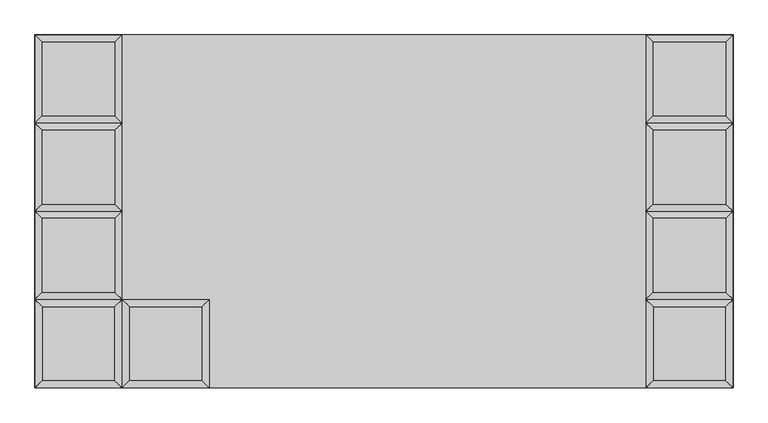
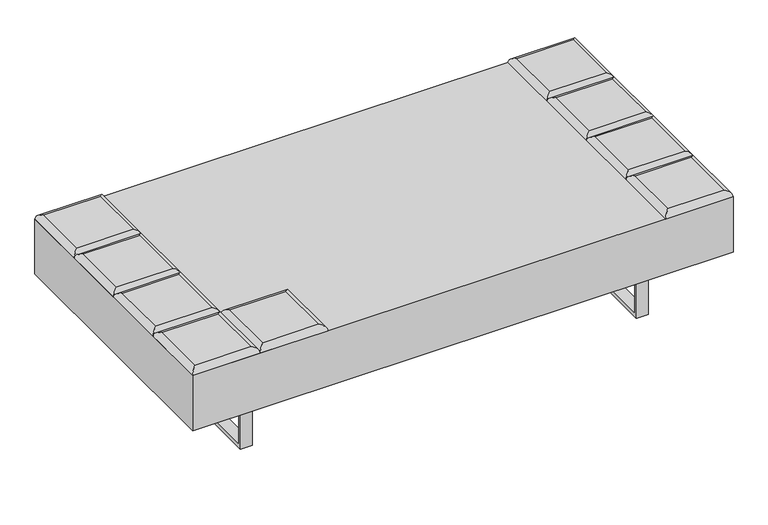
"""IFC4 building model written with IfcOpenShell, lengths in millimetres: furniture geometry."""

from ifc_helpers import new_model, si_unit, frame, origin, place, context, project, spatial, polyline, ellipse_curve, outline, extrude, source, transform, mapped, element, save
from ifc_brep_helpers import plane_surface, cylinder_surface, advanced_brep


def furniture_17740cd9(model_context):
    return source(origin(), model_context, "Body", "SolidModel", [
        advanced_brep(
        [(-439.8735714, -222.25, 393.7), (-457.8340837, -240.2105122, 411.6605122), (-457.8340837, -426.5394878, 411.6605122), (-439.8735714, -444.5, 393.7), (-641.6230592, -426.5394878, 411.6605122), (-659.5835714, -444.5, 393.7), (-641.6230592, -240.2105122, 411.6605122), (-659.5835714, -222.25, 393.7)],
        [
            (0, 1, ellipse_curve(frame((-457.8340837, -240.2105122, 393.7), z_axis=(0.7071067811865475, -0.7071067811865475, 0.0), x_axis=(0.7071067811865474, 0.7071067811865476, 0.0)), 25.4, 17.9605122)),
            (1, 2),
            (2, 3, ellipse_curve(frame((-457.8340837, -426.5394878, 393.7), z_axis=(0.7071067811865475, 0.7071067811865475, 0.0), x_axis=(-0.7071067811865474, 0.7071067811865476, 0.0)), 25.4, 17.9605122)),
            (3, 0),
            (2, 4),
            (4, 5, ellipse_curve(frame((-641.6230592, -426.5394878, 393.7), z_axis=(0.7071067811865475, -0.7071067811865475, 0.0), x_axis=(0.7071067811865476, 0.7071067811865474, 0.0)), 25.4, 17.9605122)),
            (5, 3),
            (4, 6),
            (6, 7, ellipse_curve(frame((-641.6230592, -240.2105122, 393.7), z_axis=(-0.7071067811865475, -0.7071067811865475, 0.0), x_axis=(0.7071067811865474, -0.7071067811865476, 0.0)), 25.4, 17.9605122)),
            (7, 5),
            (0, 7),
            (6, 1),
        ],
        [
            cylinder_surface(frame((-457.8340837, -222.25, 393.7), z_axis=(0.0, 1.0, 0.0), x_axis=(1.0, 0.0, 0.0)), 17.9605122),
            cylinder_surface(frame((-439.8735714, -426.5394878, 393.7), z_axis=(1.0, 0.0, 0.0), x_axis=(0.0, -1.0, 0.0)), 17.9605122),
            cylinder_surface(frame((-641.6230592, -444.5, 393.7), z_axis=(0.0, -1.0, 0.0), x_axis=(-1.0, 0.0, 0.0)), 17.9605122),
            cylinder_surface(frame((-659.5835714, -240.2105122, 393.7), z_axis=(-1.0, 0.0, 0.0), x_axis=(0.0, 1.0, 0.0)), 17.9605122),
            plane_surface(frame((-659.5835714, -222.25, 393.7), z_axis=(0.0, 0.0, -1.0), x_axis=(1.0, 0.0, 0.0))),
            plane_surface(frame((-641.6230592, -240.2105122, 411.6605122), z_axis=(0.0, 0.0, 1.0), x_axis=(-1.0, 0.0, 0.0))),
        ],
        [
            (0, [[1, 2, 3, 4]]),
            (1, [[-3, 5, 6, 7]]),
            (2, [[-6, 8, 9, 10]]),
            (3, [[-1, 11, -9, 12]]),
            (4, [[-4, -7, -10, -11]]),
            (5, [[-2, -12, -8, -5]]),
        ],
    ),
        advanced_brep(
        [(861.5144878, -204.2894878, 411.6605122), (861.5144878, -17.9605122, 411.6605122), (677.7255122, -17.9605122, 411.6605122), (677.7255122, -204.2894878, 411.6605122), (879.475, 0.0, 393.7), (879.475, -222.25, 393.7), (659.765, -222.25, 393.7), (659.765, 0.0, 393.7)],
        [
            (0, 1),
            (1, 2),
            (2, 3),
            (3, 0),
            (4, 5),
            (5, 6),
            (6, 7),
            (7, 4),
            (4, 1, ellipse_curve(frame((861.5144878, -17.9605122, 393.7), z_axis=(0.7071067811865475, -0.7071067811865475, 0.0), x_axis=(0.7071067811865474, 0.7071067811865476, 0.0)), 25.4, 17.9605122)),
            (0, 5, ellipse_curve(frame((861.5144878, -204.2894878, 393.7), z_axis=(0.7071067811865475, 0.7071067811865475, 0.0), x_axis=(-0.7071067811865474, 0.7071067811865476, 0.0)), 25.4, 17.9605122)),
            (3, 6, ellipse_curve(frame((677.7255122, -204.2894878, 393.7), z_axis=(0.7071067811865475, -0.7071067811865475, 0.0), x_axis=(0.7071067811865476, 0.7071067811865474, 0.0)), 25.4, 17.9605122)),
            (2, 7, ellipse_curve(frame((677.7255122, -17.9605122, 393.7), z_axis=(-0.7071067811865475, -0.7071067811865475, 0.0), x_axis=(0.7071067811865474, -0.7071067811865476, 0.0)), 25.4, 17.9605122)),
        ],
        [
            plane_surface(frame((677.7255122, -17.9605122, 411.6605122), z_axis=(0.0, 0.0, 1.0), x_axis=(-1.0, 0.0, 0.0))),
            plane_surface(frame((677.7255122, -17.9605122, 393.7), z_axis=(0.0, 0.0, -1.0), x_axis=(1.0, 0.0, 0.0))),
            cylinder_surface(frame((861.5144878, 0.0, 393.7), z_axis=(0.0, 1.0, 0.0), x_axis=(1.0, 0.0, 0.0)), 17.9605122),
            cylinder_surface(frame((879.475, -204.2894878, 393.7), z_axis=(1.0, 0.0, 0.0), x_axis=(0.0, -1.0, 0.0)), 17.9605122),
            cylinder_surface(frame((677.7255122, -222.25, 393.7), z_axis=(0.0, -1.0, 0.0), x_axis=(-1.0, 0.0, 0.0)), 17.9605122),
            cylinder_surface(frame((659.765, -17.9605122, 393.7), z_axis=(-1.0, 0.0, 0.0), x_axis=(0.0, 1.0, 0.0)), 17.9605122),
        ],
        [
            (0, [[1, 2, 3, 4]]),
            (1, [[5, 6, 7, 8]]),
            (2, [[9, -1, 10, -5]]),
            (3, [[-10, -4, 11, -6]]),
            (4, [[-11, -3, 12, -7]]),
            (5, [[-9, -8, -12, -2]]),
        ],
    ),
        advanced_brep(
        [(861.5144878, 17.9605122, 411.6605122), (861.5144878, 204.2894878, 411.6605122), (677.7255122, 204.2894878, 411.6605122), (677.7255122, 17.9605122, 411.6605122), (879.475, 222.25, 393.7), (879.475, 0.0, 393.7), (659.765, 0.0, 393.7), (659.765, 222.25, 393.7)],
        [
            (0, 1),
            (1, 2),
            (2, 3),
            (3, 0),
            (4, 5),
            (5, 6),
            (6, 7),
            (7, 4),
            (4, 1, ellipse_curve(frame((861.5144878, 204.2894878, 393.7), z_axis=(0.7071067811865475, -0.7071067811865475, 0.0), x_axis=(0.7071067811865474, 0.7071067811865476, 0.0)), 25.4, 17.9605122)),
            (0, 5, ellipse_curve(frame((861.5144878, 17.9605122, 393.7), z_axis=(0.7071067811865475, 0.7071067811865475, 0.0), x_axis=(-0.7071067811865474, 0.7071067811865476, 0.0)), 25.4, 17.9605122)),
            (3, 6, ellipse_curve(frame((677.7255122, 17.9605122, 393.7), z_axis=(0.7071067811865475, -0.7071067811865475, 0.0), x_axis=(0.7071067811865476, 0.7071067811865474, 0.0)), 25.4, 17.9605122)),
            (2, 7, ellipse_curve(frame((677.7255122, 204.2894878, 393.7), z_axis=(-0.7071067811865475, -0.7071067811865475, 0.0), x_axis=(0.7071067811865474, -0.7071067811865476, 0.0)), 25.4, 17.9605122)),
        ],
        [
            plane_surface(frame((677.7255122, 204.2894878, 411.6605122), z_axis=(0.0, 0.0, 1.0), x_axis=(-1.0, 0.0, 0.0))),
            plane_surface(frame((677.7255122, 204.2894878, 393.7), z_axis=(0.0, 0.0, -1.0), x_axis=(1.0, 0.0, 0.0))),
            cylinder_surface(frame((861.5144878, 222.25, 393.7), z_axis=(0.0, 1.0, 0.0), x_axis=(1.0, 0.0, 0.0)), 17.9605122),
            cylinder_surface(frame((879.475, 17.9605122, 393.7), z_axis=(1.0, 0.0, 0.0), x_axis=(0.0, -1.0, 0.0)), 17.9605122),
            cylinder_surface(frame((677.7255122, 0.0, 393.7), z_axis=(0.0, -1.0, 0.0), x_axis=(-1.0, 0.0, 0.0)), 17.9605122),
            cylinder_surface(frame((659.765, 204.2894878, 393.7), z_axis=(-1.0, 0.0, 0.0), x_axis=(0.0, 1.0, 0.0)), 17.9605122),
        ],
        [
            (0, [[1, 2, 3, 4]]),
            (1, [[5, 6, 7, 8]]),
            (2, [[9, -1, 10, -5]]),
            (3, [[-10, -4, 11, -6]]),
            (4, [[-11, -3, 12, -7]]),
            (5, [[-9, -8, -12, -2]]),
        ],
    ),
        advanced_brep(
        [(861.5144878, 240.2105122, 411.6605122), (861.5144878, 426.5394878, 411.6605122), (677.7255122, 426.5394878, 411.6605122), (677.7255122, 240.2105122, 411.6605122), (879.475, 444.5, 393.7), (879.475, 222.25, 393.7), (659.765, 222.25, 393.7), (659.765, 444.5, 393.7)],
        [
            (0, 1),
            (1, 2),
            (2, 3),
            (3, 0),
            (4, 5),
            (5, 6),
            (6, 7),
            (7, 4),
            (4, 1, ellipse_curve(frame((861.5144878, 426.5394878, 393.7), z_axis=(0.7071067811865475, -0.7071067811865475, 0.0), x_axis=(0.7071067811865474, 0.7071067811865476, 0.0)), 25.4, 17.9605122)),
            (0, 5, ellipse_curve(frame((861.5144878, 240.2105122, 393.7), z_axis=(0.7071067811865475, 0.7071067811865475, 0.0), x_axis=(-0.7071067811865474, 0.7071067811865476, 0.0)), 25.4, 17.9605122)),
            (3, 6, ellipse_curve(frame((677.7255122, 240.2105122, 393.7), z_axis=(0.7071067811865475, -0.7071067811865475, 0.0), x_axis=(0.7071067811865476, 0.7071067811865474, 0.0)), 25.4, 17.9605122)),
            (2, 7, ellipse_curve(frame((677.7255122, 426.5394878, 393.7), z_axis=(-0.7071067811865475, -0.7071067811865475, 0.0), x_axis=(0.7071067811865474, -0.7071067811865476, 0.0)), 25.4, 17.9605122)),
        ],
        [
            plane_surface(frame((677.7255122, 426.5394878, 411.6605122), z_axis=(0.0, 0.0, 1.0), x_axis=(-1.0, 0.0, 0.0))),
            plane_surface(frame((677.7255122, 426.5394878, 393.7), z_axis=(0.0, 0.0, -1.0), x_axis=(1.0, 0.0, 0.0))),
            cylinder_surface(frame((861.5144878, 444.5, 393.7), z_axis=(0.0, 1.0, 0.0), x_axis=(1.0, 0.0, 0.0)), 17.9605122),
            cylinder_surface(frame((879.475, 240.2105122, 393.7), z_axis=(1.0, 0.0, 0.0), x_axis=(0.0, -1.0, 0.0)), 17.9605122),
            cylinder_surface(frame((677.7255122, 222.25, 393.7), z_axis=(0.0, -1.0, 0.0), x_axis=(-1.0, 0.0, 0.0)), 17.9605122),
            cylinder_surface(frame((659.765, 426.5394878, 393.7), z_axis=(-1.0, 0.0, 0.0), x_axis=(0.0, 1.0, 0.0)), 17.9605122),
        ],
        [
            (0, [[1, 2, 3, 4]]),
            (1, [[5, 6, 7, 8]]),
            (2, [[9, -1, 10, -5]]),
            (3, [[-10, -4, 11, -6]]),
            (4, [[-11, -3, 12, -7]]),
            (5, [[-9, -8, -12, -2]]),
        ],
    ),
        advanced_brep(
        [(879.475, -222.25, 393.7), (861.5144878, -240.2105122, 411.6605122), (861.5144878, -426.5394878, 411.6605122), (879.475, -444.5, 393.7), (677.7255122, -426.5394878, 411.6605122), (659.765, -444.5, 393.7), (677.7255122, -240.2105122, 411.6605122), (659.765, -222.25, 393.7)],
        [
            (0, 1, ellipse_curve(frame((861.5144878, -240.2105122, 393.7), z_axis=(0.7071067811865475, -0.7071067811865475, 0.0), x_axis=(0.7071067811865474, 0.7071067811865476, 0.0)), 25.4, 17.9605122)),
            (1, 2),
            (2, 3, ellipse_curve(frame((861.5144878, -426.5394878, 393.7), z_axis=(0.7071067811865475, 0.7071067811865475, 0.0), x_axis=(-0.7071067811865474, 0.7071067811865476, 0.0)), 25.4, 17.9605122)),
            (3, 0),
            (2, 4),
            (4, 5, ellipse_curve(frame((677.7255122, -426.5394878, 393.7), z_axis=(0.7071067811865475, -0.7071067811865475, 0.0), x_axis=(0.7071067811865476, 0.7071067811865474, 0.0)), 25.4, 17.9605122)),
            (5, 3),
            (4, 6),
            (6, 7, ellipse_curve(frame((677.7255122, -240.2105122, 393.7), z_axis=(-0.7071067811865475, -0.7071067811865475, 0.0), x_axis=(0.7071067811865474, -0.7071067811865476, 0.0)), 25.4, 17.9605122)),
            (7, 5),
            (0, 7),
            (6, 1),
        ],
        [
            cylinder_surface(frame((861.5144878, -222.25, 393.7), z_axis=(0.0, 1.0, 0.0), x_axis=(1.0, 0.0, 0.0)), 17.9605122),
            cylinder_surface(frame((879.475, -426.5394878, 393.7), z_axis=(1.0, 0.0, 0.0), x_axis=(0.0, -1.0, 0.0)), 17.9605122),
            cylinder_surface(frame((677.7255122, -444.5, 393.7), z_axis=(0.0, -1.0, 0.0), x_axis=(-1.0, 0.0, 0.0)), 17.9605122),
            cylinder_surface(frame((659.765, -240.2105122, 393.7), z_axis=(-1.0, 0.0, 0.0), x_axis=(0.0, 1.0, 0.0)), 17.9605122),
            plane_surface(frame((659.765, -222.25, 393.7), z_axis=(0.0, 0.0, -1.0), x_axis=(1.0, 0.0, 0.0))),
            plane_surface(frame((677.7255122, -240.2105122, 411.6605122), z_axis=(0.0, 0.0, 1.0), x_axis=(-1.0, 0.0, 0.0))),
        ],
        [
            (0, [[1, 2, 3, 4]]),
            (1, [[-3, 5, 6, 7]]),
            (2, [[-6, 8, 9, 10]]),
            (3, [[-1, 11, -9, 12]]),
            (4, [[-4, -7, -10, -11]]),
            (5, [[-2, -12, -8, -5]]),
        ],
    ),
        advanced_brep(
        [(-677.7255122, -204.2894878, 411.6605122), (-677.7255122, -17.9605122, 411.6605122), (-861.5144878, -17.9605122, 411.6605122), (-861.5144878, -204.2894878, 411.6605122), (-659.765, 0.0, 393.7), (-659.765, -222.25, 393.7), (-879.475, -222.25, 393.7), (-879.475, 0.0, 393.7)],
        [
            (0, 1),
            (1, 2),
            (2, 3),
            (3, 0),
            (4, 5),
            (5, 6),
            (6, 7),
            (7, 4),
            (4, 1, ellipse_curve(frame((-677.7255122, -17.9605122, 393.7), z_axis=(0.7071067811865475, -0.7071067811865475, 0.0), x_axis=(0.7071067811865474, 0.7071067811865476, 0.0)), 25.4, 17.9605122)),
            (0, 5, ellipse_curve(frame((-677.7255122, -204.2894878, 393.7), z_axis=(0.7071067811865475, 0.7071067811865475, 0.0), x_axis=(-0.7071067811865474, 0.7071067811865476, 0.0)), 25.4, 17.9605122)),
            (3, 6, ellipse_curve(frame((-861.5144878, -204.2894878, 393.7), z_axis=(0.7071067811865475, -0.7071067811865475, 0.0), x_axis=(0.7071067811865476, 0.7071067811865474, 0.0)), 25.4, 17.9605122)),
            (2, 7, ellipse_curve(frame((-861.5144878, -17.9605122, 393.7), z_axis=(-0.7071067811865475, -0.7071067811865475, 0.0), x_axis=(0.7071067811865474, -0.7071067811865476, 0.0)), 25.4, 17.9605122)),
        ],
        [
            plane_surface(frame((-861.5144878, -17.9605122, 411.6605122), z_axis=(0.0, 0.0, 1.0), x_axis=(-1.0, 0.0, 0.0))),
            plane_surface(frame((-861.5144878, -17.9605122, 393.7), z_axis=(0.0, 0.0, -1.0), x_axis=(1.0, 0.0, 0.0))),
            cylinder_surface(frame((-677.7255122, 0.0, 393.7), z_axis=(0.0, 1.0, 0.0), x_axis=(1.0, 0.0, 0.0)), 17.9605122),
            cylinder_surface(frame((-659.765, -204.2894878, 393.7), z_axis=(1.0, 0.0, 0.0), x_axis=(0.0, -1.0, 0.0)), 17.9605122),
            cylinder_surface(frame((-861.5144878, -222.25, 393.7), z_axis=(0.0, -1.0, 0.0), x_axis=(-1.0, 0.0, 0.0)), 17.9605122),
            cylinder_surface(frame((-879.475, -17.9605122, 393.7), z_axis=(-1.0, 0.0, 0.0), x_axis=(0.0, 1.0, 0.0)), 17.9605122),
        ],
        [
            (0, [[1, 2, 3, 4]]),
            (1, [[5, 6, 7, 8]]),
            (2, [[9, -1, 10, -5]]),
            (3, [[-10, -4, 11, -6]]),
            (4, [[-11, -3, 12, -7]]),
            (5, [[-9, -8, -12, -2]]),
        ],
    ),
        advanced_brep(
        [(-677.7255122, 17.9605122, 411.6605122), (-677.7255122, 204.2894878, 411.6605122), (-861.5144878, 204.2894878, 411.6605122), (-861.5144878, 17.9605122, 411.6605122), (-659.765, 222.25, 393.7), (-659.765, 0.0, 393.7), (-879.475, 0.0, 393.7), (-879.475, 222.25, 393.7)],
        [
            (0, 1),
            (1, 2),
            (2, 3),
            (3, 0),
            (4, 5),
            (5, 6),
            (6, 7),
            (7, 4),
            (4, 1, ellipse_curve(frame((-677.7255122, 204.2894878, 393.7), z_axis=(0.7071067811865475, -0.7071067811865475, 0.0), x_axis=(0.7071067811865474, 0.7071067811865476, 0.0)), 25.4, 17.9605122)),
            (0, 5, ellipse_curve(frame((-677.7255122, 17.9605122, 393.7), z_axis=(0.7071067811865475, 0.7071067811865475, 0.0), x_axis=(-0.7071067811865474, 0.7071067811865476, 0.0)), 25.4, 17.9605122)),
            (3, 6, ellipse_curve(frame((-861.5144878, 17.9605122, 393.7), z_axis=(0.7071067811865475, -0.7071067811865475, 0.0), x_axis=(0.7071067811865476, 0.7071067811865474, 0.0)), 25.4, 17.9605122)),
            (2, 7, ellipse_curve(frame((-861.5144878, 204.2894878, 393.7), z_axis=(-0.7071067811865475, -0.7071067811865475, 0.0), x_axis=(0.7071067811865474, -0.7071067811865476, 0.0)), 25.4, 17.9605122)),
        ],
        [
            plane_surface(frame((-861.5144878, 204.2894878, 411.6605122), z_axis=(0.0, 0.0, 1.0), x_axis=(-1.0, 0.0, 0.0))),
            plane_surface(frame((-861.5144878, 204.2894878, 393.7), z_axis=(0.0, 0.0, -1.0), x_axis=(1.0, 0.0, 0.0))),
            cylinder_surface(frame((-677.7255122, 222.25, 393.7), z_axis=(0.0, 1.0, 0.0), x_axis=(1.0, 0.0, 0.0)), 17.9605122),
            cylinder_surface(frame((-659.765, 17.9605122, 393.7), z_axis=(1.0, 0.0, 0.0), x_axis=(0.0, -1.0, 0.0)), 17.9605122),
            cylinder_surface(frame((-861.5144878, 0.0, 393.7), z_axis=(0.0, -1.0, 0.0), x_axis=(-1.0, 0.0, 0.0)), 17.9605122),
            cylinder_surface(frame((-879.475, 204.2894878, 393.7), z_axis=(-1.0, 0.0, 0.0), x_axis=(0.0, 1.0, 0.0)), 17.9605122),
        ],
        [
            (0, [[1, 2, 3, 4]]),
            (1, [[5, 6, 7, 8]]),
            (2, [[9, -1, 10, -5]]),
            (3, [[-10, -4, 11, -6]]),
            (4, [[-11, -3, 12, -7]]),
            (5, [[-9, -8, -12, -2]]),
        ],
    ),
        advanced_brep(
        [(-677.7255122, 240.2105122, 411.6605122), (-677.7255122, 426.5394878, 411.6605122), (-861.5144878, 426.5394878, 411.6605122), (-861.5144878, 240.2105122, 411.6605122), (-659.765, 444.5, 393.7), (-659.765, 222.25, 393.7), (-879.475, 222.25, 393.7), (-879.475, 444.5, 393.7)],
        [
            (0, 1),
            (1, 2),
            (2, 3),
            (3, 0),
            (4, 5),
            (5, 6),
            (6, 7),
            (7, 4),
            (4, 1, ellipse_curve(frame((-677.7255122, 426.5394878, 393.7), z_axis=(0.7071067811865475, -0.7071067811865475, 0.0), x_axis=(0.7071067811865474, 0.7071067811865476, 0.0)), 25.4, 17.9605122)),
            (0, 5, ellipse_curve(frame((-677.7255122, 240.2105122, 393.7), z_axis=(0.7071067811865475, 0.7071067811865475, 0.0), x_axis=(-0.7071067811865474, 0.7071067811865476, 0.0)), 25.4, 17.9605122)),
            (3, 6, ellipse_curve(frame((-861.5144878, 240.2105122, 393.7), z_axis=(0.7071067811865475, -0.7071067811865475, 0.0), x_axis=(0.7071067811865476, 0.7071067811865474, 0.0)), 25.4, 17.9605122)),
            (2, 7, ellipse_curve(frame((-861.5144878, 426.5394878, 393.7), z_axis=(-0.7071067811865475, -0.7071067811865475, 0.0), x_axis=(0.7071067811865474, -0.7071067811865476, 0.0)), 25.4, 17.9605122)),
        ],
        [
            plane_surface(frame((-861.5144878, 426.5394878, 411.6605122), z_axis=(0.0, 0.0, 1.0), x_axis=(-1.0, 0.0, 0.0))),
            plane_surface(frame((-861.5144878, 426.5394878, 393.7), z_axis=(0.0, 0.0, -1.0), x_axis=(1.0, 0.0, 0.0))),
            cylinder_surface(frame((-677.7255122, 444.5, 393.7), z_axis=(0.0, 1.0, 0.0), x_axis=(1.0, 0.0, 0.0)), 17.9605122),
            cylinder_surface(frame((-659.765, 240.2105122, 393.7), z_axis=(1.0, 0.0, 0.0), x_axis=(0.0, -1.0, 0.0)), 17.9605122),
            cylinder_surface(frame((-861.5144878, 222.25, 393.7), z_axis=(0.0, -1.0, 0.0), x_axis=(-1.0, 0.0, 0.0)), 17.9605122),
            cylinder_surface(frame((-879.475, 426.5394878, 393.7), z_axis=(-1.0, 0.0, 0.0), x_axis=(0.0, 1.0, 0.0)), 17.9605122),
        ],
        [
            (0, [[1, 2, 3, 4]]),
            (1, [[5, 6, 7, 8]]),
            (2, [[9, -1, 10, -5]]),
            (3, [[-10, -4, 11, -6]]),
            (4, [[-11, -3, 12, -7]]),
            (5, [[-9, -8, -12, -2]]),
        ],
    ),
        advanced_brep(
        [(-659.765, -222.25, 393.7), (-677.7255122, -240.2105122, 411.6605122), (-677.7255122, -426.5394878, 411.6605122), (-659.765, -444.5, 393.7), (-861.5144878, -426.5394878, 411.6605122), (-879.475, -444.5, 393.7), (-861.5144878, -240.2105122, 411.6605122), (-879.475, -222.25, 393.7)],
        [
            (0, 1, ellipse_curve(frame((-677.7255122, -240.2105122, 393.7), z_axis=(0.7071067811865475, -0.7071067811865475, 0.0), x_axis=(0.7071067811865474, 0.7071067811865476, 0.0)), 25.4, 17.9605122)),
            (1, 2),
            (2, 3, ellipse_curve(frame((-677.7255122, -426.5394878, 393.7), z_axis=(0.7071067811865475, 0.7071067811865475, 0.0), x_axis=(-0.7071067811865474, 0.7071067811865476, 0.0)), 25.4, 17.9605122)),
            (3, 0),
            (2, 4),
            (4, 5, ellipse_curve(frame((-861.5144878, -426.5394878, 393.7), z_axis=(0.7071067811865475, -0.7071067811865475, 0.0), x_axis=(0.7071067811865476, 0.7071067811865474, 0.0)), 25.4, 17.9605122)),
            (5, 3),
            (4, 6),
            (6, 7, ellipse_curve(frame((-861.5144878, -240.2105122, 393.7), z_axis=(-0.7071067811865475, -0.7071067811865475, 0.0), x_axis=(0.7071067811865474, -0.7071067811865476, 0.0)), 25.4, 17.9605122)),
            (7, 5),
            (0, 7),
            (6, 1),
        ],
        [
            cylinder_surface(frame((-677.7255122, -222.25, 393.7), z_axis=(0.0, 1.0, 0.0), x_axis=(1.0, 0.0, 0.0)), 17.9605122),
            cylinder_surface(frame((-659.765, -426.5394878, 393.7), z_axis=(1.0, 0.0, 0.0), x_axis=(0.0, -1.0, 0.0)), 17.9605122),
            cylinder_surface(frame((-861.5144878, -444.5, 393.7), z_axis=(0.0, -1.0, 0.0), x_axis=(-1.0, 0.0, 0.0)), 17.9605122),
            cylinder_surface(frame((-879.475, -240.2105122, 393.7), z_axis=(-1.0, 0.0, 0.0), x_axis=(0.0, 1.0, 0.0)), 17.9605122),
            plane_surface(frame((-879.475, -222.25, 393.7), z_axis=(0.0, 0.0, -1.0), x_axis=(1.0, 0.0, 0.0))),
            plane_surface(frame((-861.5144878, -240.2105122, 411.6605122), z_axis=(0.0, 0.0, 1.0), x_axis=(-1.0, 0.0, 0.0))),
        ],
        [
            (0, [[1, 2, 3, 4]]),
            (1, [[-3, 5, 6, 7]]),
            (2, [[-6, 8, 9, 10]]),
            (3, [[-1, 11, -9, 12]]),
            (4, [[-4, -7, -10, -11]]),
            (5, [[-2, -12, -8, -5]]),
        ],
    ),
        extrude(outline(polyline([(-339.4724839, 0.0), (-339.4724839, 203.2), (341.6588694, 203.2), (341.6588694, 0.0), (-339.4724839, 0.0)]), holes=[polyline([(-326.7724839, 190.5), (-326.7724839, 12.7), (328.9588694, 12.7), (328.9588694, 190.5), (-326.7724839, 190.5)])]), frame((-663.575, 0.0, 0.0), z_axis=(1.0, 0.0, 0.0), x_axis=(0.0, 1.0, 0.0)), (0.0, 0.0, 1.0), 38.0999535),
        extrude(outline(polyline([(-339.4724839, 203.2), (341.6588694, 203.2), (341.6588694, 0.0), (-339.4724839, 0.0), (-339.4724839, 203.2)]), holes=[polyline([(-326.7724839, 12.7), (328.9588694, 12.7), (328.9588694, 190.5), (-326.7724839, 190.5), (-326.7724839, 12.7)])]), frame((625.4750465, 0.0, 0.0), z_axis=(1.0, 0.0, 0.0), x_axis=(0.0, 1.0, 0.0)), (0.0, 0.0, 1.0), 38.0999535),
        extrude(outline(polyline([(879.475, 444.5), (879.475, -444.5), (-879.475, -444.5), (-879.475, 444.5), (879.475, 444.5)])), frame((0.0, 0.0, 203.2), z_axis=(0.0, 0.0, 1.0), x_axis=(1.0, 0.0, 0.0)), (0.0, 0.0, 1.0), 190.5),
    ])


if __name__ == "__main__":
    model = new_model("IFC4")
    model_context = context("Model", 3, world=origin())
    ifc_project = project(units=[si_unit("LENGTHUNIT", "METRE", prefix="MILLI")], contexts=[model_context])
    site = spatial("IfcSite", under=ifc_project)
    building = spatial("IfcBuilding", under=site)
    placement = place(None, origin())
    furniture_shape = furniture_17740cd9(model_context)
    element("IfcFurniture", 1, at=placement, inside=building, context=model_context, shape_type="MappedRepresentation", body=[
        mapped(furniture_shape, transform((0.0, 0.0, 0.0), x_axis=(1.0, 0.0, 0.0), y_axis=(0.0, 1.0, 0.0), z_axis=(0.0, 0.0, 1.0))),
    ])
    save(model, "model.ifc")
